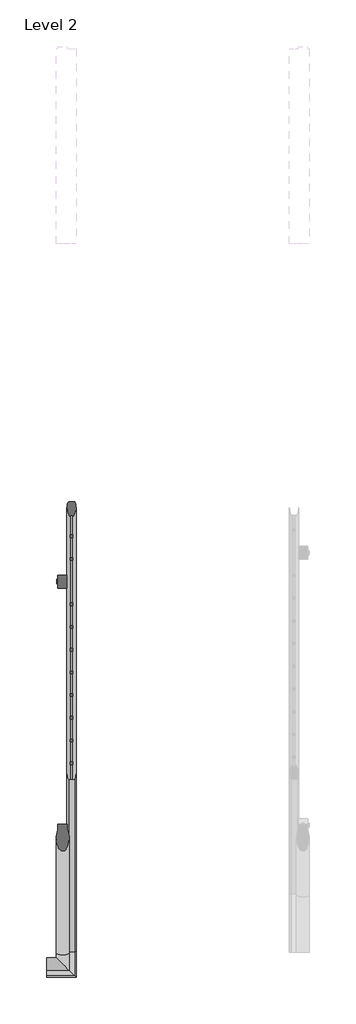
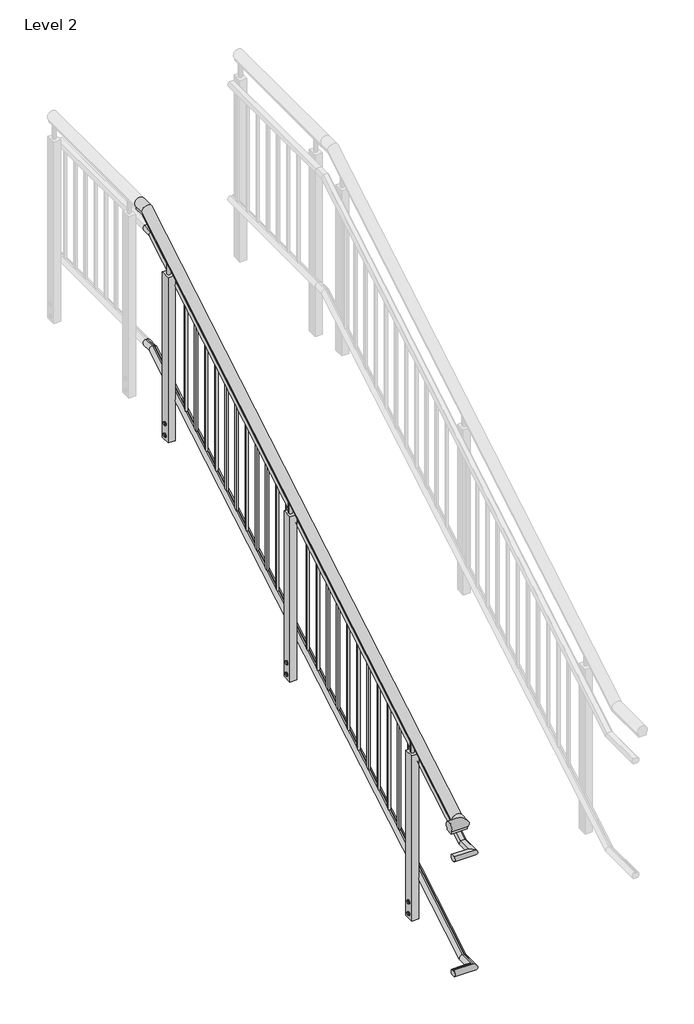
# One storey, part 2 of 4: 1 railing.
"""IFC4 building model written with IfcOpenShell, lengths in millimetres."""

from ifc_helpers import new_model, si_unit, point, frame, frame_2d, origin, place, context, project, spatial, polyline, circle_curve, ellipse_curve, trimmed, segment, composite_curve, outline, extrude, element, save
from ifc_brep_helpers import plane_surface, cylinder_surface, advanced_brep

model = new_model("IFC4")

# Units and contexts
model_context = context("Model", 3, world=origin())
ifc_project = project(units=[si_unit("LENGTHUNIT", "METRE", prefix="MILLI")], contexts=[model_context])

# Site, building, storey
site = spatial("IfcSite", under=ifc_project)
building = spatial("IfcBuilding", under=site)
storey = spatial("IfcBuildingStorey", under=building, Name="Level 2", Elevation=4000.0)

# Railing
placement = place(None, origin())
element("IfcRailing", 1, ObjectType="MT_Accessible stair with Balustrade_Level 3_Left", at=placement, inside=storey, context=model_context, shape_type="SolidModel", body=[
    advanced_brep(
    [(-1167.1198503, 2567.5153131, 6690.8057322), (-1167.1198503, 2567.5153131, 6678.0), (-1208.8198503, 2567.5153131, 6678.0), (-1208.8198503, 2567.5153131, 6690.8057322), (-1208.8198503, 2502.5558159, 6690.8057322), (-1167.1198503, 2502.5558159, 6690.8057322), (-1208.8198503, 2506.0632911, 6678.0), (-1167.1198503, 2506.0632911, 6678.0), (-1208.8198503, -551.3234853, 4882.2162889), (-1167.1198503, -551.3234853, 4882.2162889), (-1208.8198503, -547.8160101, 4869.4105567), (-1167.1198503, -547.8160101, 4869.4105567), (-1258.8300828, -625.9449195, 4882.2162889), (-1258.8300828, -584.2449195, 4882.2162889), (-1258.8300828, -584.2449195, 4869.4105567), (-1258.8300828, -625.9449195, 4869.4105567), (-1167.1198503, -625.9449195, 4882.2162889), (-1208.8198503, -584.2449195, 4882.2162889), (-1208.8198503, -584.2449195, 4869.4105567), (-1167.1198503, -625.9449195, 4869.4105567)],
    [
        (0, 1),
        (1, 2),
        (2, 3),
        (3, 0, circle_curve(frame((-1187.9698503, 2567.5153131, 6710.0), z_axis=(0.0, 1.0, 0.0), x_axis=(-1.0, 0.0, 0.0)), 28.3397674)),
        (4, 5, ellipse_curve(frame((-1187.9698503, 2497.2985281, 6710.0), z_axis=(0.0, 0.9644764138034779, 0.26416897474302736), x_axis=(0.0, -0.26416897474302786, 0.9644764138034778)), 29.3835775, 28.3397674)),
        (5, 0),
        (3, 4),
        (6, 4),
        (2, 6),
        (7, 6),
        (1, 7),
        (5, 7),
        (8, 9, ellipse_curve(frame((-1187.9698503, -556.5807731, 4901.4105567), z_axis=(0.0, 0.9644764138034779, 0.26416897474302736), x_axis=(0.0, 0.264168974743027, -0.9644764138034783)), 29.3835775, 28.3397674)),
        (9, 5),
        (4, 8),
        (10, 8),
        (6, 10),
        (11, 10),
        (7, 11),
        (9, 11),
        (12, 13, circle_curve(frame((-1258.8300828, -605.0949195, 4901.4105567), z_axis=(-1.0, 0.0, 0.0), x_axis=(0.0, 1.0, 0.0)), 28.3397674)),
        (13, 14),
        (14, 15),
        (15, 12),
        (12, 16),
        (16, 17, ellipse_curve(frame((-1187.9698503, -605.0949195, 4901.4105567), z_axis=(-0.7071067811865481, -0.7071067811865469, 0.0), x_axis=(-0.7071067811865469, 0.7071067811865481, 0.0)), 40.0784834, 28.3397674)),
        (17, 13),
        (17, 18),
        (18, 14),
        (18, 19),
        (19, 15),
        (19, 16),
        (16, 9),
        (8, 17),
        (10, 18),
        (11, 19),
    ],
    [
        plane_surface(frame((-1187.9698503, 2567.5153131, 6678.0), z_axis=(0.0, 1.0, 0.0), x_axis=(0.0, 0.0, 1.0))),
        cylinder_surface(frame((-1187.9698503, 2506.0632911, 6710.0), z_axis=(0.0, -1.0, 0.0), x_axis=(-1.0, 0.0, 0.0)), 28.3397674),
        plane_surface(frame((-1208.8198503, 2502.5558159, 6690.8057322), z_axis=(-1.0, 0.0, 0.0), x_axis=(0.0, 1.0, 0.0))),
        plane_surface(frame((-1208.8198503, 2506.0632911, 6678.0), z_axis=(0.0, 0.0, -1.0), x_axis=(0.0, 1.0, 0.0))),
        plane_surface(frame((-1167.1198503, 2506.0632911, 6678.0), z_axis=(1.0, 0.0, 0.0), x_axis=(0.0, 1.0, 0.0))),
        cylinder_surface(frame((-1187.9698503, -564.1222338, 4896.9443009), z_axis=(0.0, -0.8604295055664356, -0.5095694907965933), x_axis=(-1.0, 0.0, 0.0)), 28.3397674),
        plane_surface(frame((-1208.8198503, -551.3234853, 4882.2162889), z_axis=(-1.0000000000000002, 0.0, 0.0), x_axis=(0.0, 0.8604295055664356, 0.5095694907965933))),
        plane_surface(frame((-1208.8198503, -547.8160101, 4869.4105567), z_axis=(0.0, 0.5095694907965933, -0.8604295055664356), x_axis=(0.0, 0.8604295055664356, 0.5095694907965933))),
        plane_surface(frame((-1167.1198503, -547.8160101, 4869.4105567), z_axis=(1.0000000000000002, 0.0, 0.0), x_axis=(0.0, 0.8604295055664356, 0.5095694907965933))),
        plane_surface(frame((-1258.8300828, -605.0949195, 4869.4105567), z_axis=(-1.0, 0.0, 0.0), x_axis=(0.0, 1.0, 0.0))),
        cylinder_surface(frame((-1258.8300828, -605.0949195, 4901.4105567), z_axis=(-1.0, 0.0, 0.0), x_axis=(0.0, 1.0, 0.0)), 28.3397674),
        plane_surface(frame((-1258.8300828, -584.2449195, 4882.2162889), z_axis=(0.0, 1.0, 0.0), x_axis=(1.0, 0.0, 0.0))),
        plane_surface(frame((-1258.8300828, -584.2449195, 4869.4105567), z_axis=(0.0, 0.0, -1.0), x_axis=(1.0, 0.0, 0.0))),
        plane_surface(frame((-1258.8300828, -625.9449195, 4869.4105567), z_axis=(0.0, -1.0, 0.0), x_axis=(1.0, 0.0, 0.0))),
        cylinder_surface(frame((-1187.9698503, -605.0949195, 4901.4105567), z_axis=(0.0, -1.0, 0.0), x_axis=(-1.0, 0.0, 0.0)), 28.3397674),
        plane_surface(frame((-1208.8198503, -584.2449195, 4882.2162889), z_axis=(-1.0, 0.0, 0.0), x_axis=(0.0, 1.0, 0.0))),
        plane_surface(frame((-1208.8198503, -584.2449195, 4869.4105567), z_axis=(0.0, 0.0, -1.0), x_axis=(0.0, 1.0, 0.0))),
        plane_surface(frame((-1167.1198503, -625.9449195, 4869.4105567), z_axis=(1.0, 0.0, 0.0), x_axis=(0.0, 1.0, 0.0))),
    ],
    [
        (0, [[1, 2, 3, 4]]),
        (1, [[5, 6, -4, 7]]),
        (2, [[8, -7, -3, 9]]),
        (3, [[10, -9, -2, 11]]),
        (4, [[12, -11, -1, -6]]),
        (5, [[13, 14, -5, 15]]),
        (6, [[16, -15, -8, 17]]),
        (7, [[18, -17, -10, 19]]),
        (8, [[20, -19, -12, -14]]),
        (9, [[21, 22, 23, 24]]),
        (10, [[-21, 25, 26, 27]]),
        (11, [[-22, -27, 28, 29]]),
        (12, [[-23, -29, 30, 31]]),
        (13, [[-24, -31, 32, -25]]),
        (14, [[-26, 33, -13, 34]]),
        (15, [[-28, -34, -16, 35]]),
        (16, [[-30, -35, -18, 36]]),
        (17, [[-32, -36, -20, -33]]),
    ],
),
    advanced_brep(
    [(-1135.6013263, -551.9244927, 4751.4105567), (-1142.7537055, -542.5969782, 4717.3559605), (-1142.7537055, 2511.282323, 6525.9454038), (-1135.6013263, 2501.9548084, 6560.0), (-1162.0588394, -551.9244927, 4751.4105567), (-1162.0588394, 2501.9548084, 6560.0), (-1154.3363, -542.5497282, 4717.1834516), (-1154.3363, 2511.329573, 6525.7728949), (-1154.3363, -543.7075274, 4721.4105567), (-1154.3363, 2510.1717738, 6530.0), (-1142.7537055, -543.7075274, 4721.4105567), (-1142.7537055, 2510.1717738, 6530.0), (-1135.6013263, -657.4634435, 4751.4105567), (-1142.7537055, -650.3110643, 4717.3559605), (-1162.0588394, -631.0059303, 4751.4105567), (-1154.3363, -638.7284697, 4717.1834516), (-1154.3363, -638.7284697, 4721.4105567), (-1142.7537055, -650.3110643, 4721.4105567), (-1142.7537055, 2567.5153131, 6525.9454038), (-1142.7537055, 2567.5153131, 6530.0), (-1154.3363, 2567.5153131, 6530.0), (-1154.3363, 2567.5153131, 6525.7728949), (-1162.0588394, 2567.5153131, 6560.0), (-1135.6013263, 2567.5153131, 6560.0), (-1258.8300828, -650.3110643, 4717.3559605), (-1258.8300828, -657.4634435, 4751.4105567), (-1258.8300828, -631.0059303, 4751.4105567), (-1258.8300828, -638.7284697, 4717.1834516), (-1258.8300828, -638.7284697, 4721.4105567), (-1258.8300828, -650.3110643, 4721.4105567)],
    [
        (0, 1, ellipse_curve(frame((-1148.8300828, -547.8160101, 4736.4105567), z_axis=(0.0, 0.9644764138034779, 0.26416897474302736), x_axis=(0.0, 0.264168974743027, -0.9644764138034783)), 20.7366398, 20.0)),
        (1, 2),
        (2, 3, ellipse_curve(frame((-1148.8300828, 2506.0632911, 6545.0), z_axis=(0.0, -0.9644764138034779, -0.26416897474302736), x_axis=(0.0, 0.264168974743027, -0.9644764138034783)), 20.7366398, 20.0)),
        (3, 0),
        (4, 0),
        (3, 5),
        (5, 4),
        (6, 4, ellipse_curve(frame((-1148.8300828, -547.8160101, 4736.4105567), z_axis=(0.0, 0.9644764138034779, 0.26416897474302736), x_axis=(0.0, 0.264168974743027, -0.9644764138034783)), 20.7366398, 20.0)),
        (5, 7, ellipse_curve(frame((-1148.8300828, 2506.0632911, 6545.0), z_axis=(0.0, -0.9644764138034779, -0.26416897474302736), x_axis=(0.0, 0.264168974743027, -0.9644764138034783)), 20.7366398, 20.0)),
        (7, 6),
        (8, 6),
        (7, 9),
        (9, 8),
        (10, 8),
        (9, 11),
        (11, 10),
        (1, 10),
        (11, 2),
        (12, 13, ellipse_curve(frame((-1148.8300828, -644.2346869, 4736.4105567), z_axis=(0.7071067811865481, 0.7071067811865469, 0.0), x_axis=(0.7071067811865469, -0.7071067811865481, 0.0)), 28.2842712, 20.0)),
        (13, 1),
        (0, 12),
        (14, 12),
        (4, 14),
        (15, 14, ellipse_curve(frame((-1148.8300828, -644.2346869, 4736.4105567), z_axis=(0.7071067811865481, 0.7071067811865469, 0.0), x_axis=(0.7071067811865469, -0.7071067811865481, 0.0)), 28.2842712, 20.0)),
        (6, 15),
        (16, 15),
        (8, 16),
        (17, 16),
        (10, 17),
        (13, 17),
        (18, 19),
        (19, 20),
        (20, 21),
        (21, 22, circle_curve(frame((-1148.8300828, 2567.5153131, 6545.0), z_axis=(0.0, 1.0, 0.0), x_axis=(0.0, 0.0, 1.0)), 20.0)),
        (22, 23),
        (23, 18, circle_curve(frame((-1148.8300828, 2567.5153131, 6545.0), z_axis=(0.0, 1.0, 0.0), x_axis=(0.0, 0.0, 1.0)), 20.0)),
        (2, 18),
        (23, 3),
        (22, 5),
        (21, 7),
        (20, 9),
        (19, 11),
        (24, 25, circle_curve(frame((-1258.8300828, -644.2346869, 4736.4105567), z_axis=(-1.0, 0.0, 0.0), x_axis=(0.0, 0.0, 1.0)), 20.0)),
        (25, 26),
        (26, 27, circle_curve(frame((-1258.8300828, -644.2346869, 4736.4105567), z_axis=(-1.0, 0.0, 0.0), x_axis=(0.0, 0.0, 1.0)), 20.0)),
        (27, 28),
        (28, 29),
        (29, 24),
        (24, 13),
        (12, 25),
        (14, 26),
        (15, 27),
        (16, 28),
        (17, 29),
    ],
    [
        cylinder_surface(frame((-1148.8300828, -547.8160101, 4736.4105567), z_axis=(0.0, -0.8604295055664356, -0.5095694907965933), x_axis=(0.0, -0.5095694907965933, 0.8604295055664356)), 20.0),
        plane_surface(frame((-1135.6013263, -551.9244927, 4751.4105567), z_axis=(0.0, -0.5095694907965932, 0.8604295055664356), x_axis=(0.0, 0.8604295055664356, 0.5095694907965932))),
        plane_surface(frame((-1154.3363, -542.5497282, 4717.1834516), z_axis=(1.0000000000000002, 0.0, 0.0), x_axis=(0.0, 0.8604295055664356, 0.5095694907965933))),
        plane_surface(frame((-1154.3363, -543.7075274, 4721.4105567), z_axis=(0.0, 0.5095694907965933, -0.8604295055664356), x_axis=(0.0, 0.8604295055664356, 0.5095694907965933))),
        plane_surface(frame((-1142.7537055, -543.7075274, 4721.4105567), z_axis=(-1.0, 0.0, 0.0), x_axis=(0.0, 0.8604295055664355, 0.5095694907965933))),
        cylinder_surface(frame((-1148.8300828, -644.2346869, 4736.4105567), z_axis=(0.0, -1.0, 0.0), x_axis=(0.0, 0.0, 1.0)), 20.0),
        plane_surface(frame((-1135.6013263, -657.4634435, 4751.4105567), z_axis=(0.0, 0.0, 1.0), x_axis=(0.0, 1.0, 0.0))),
        plane_surface(frame((-1154.3363, -638.7284697, 4717.1834516), z_axis=(1.0, 0.0, 0.0), x_axis=(0.0, 1.0, 0.0))),
        plane_surface(frame((-1154.3363, -638.7284697, 4721.4105567), z_axis=(0.0, 0.0, -1.0), x_axis=(0.0, 1.0, 0.0))),
        plane_surface(frame((-1142.7537055, -650.3110643, 4721.4105567), z_axis=(-1.0, 0.0, 0.0), x_axis=(0.0, 1.0, 0.0))),
        plane_surface(frame((-1148.8300828, 2567.5153131, 6545.0), z_axis=(0.0, 1.0, 0.0), x_axis=(0.0, 0.0, 1.0))),
        cylinder_surface(frame((-1148.8300828, 2506.0632911, 6545.0), z_axis=(0.0, -1.0, 0.0), x_axis=(0.0, 0.0, 1.0)), 20.0),
        plane_surface(frame((-1135.6013263, 2501.9548084, 6560.0), z_axis=(0.0, 0.0, 1.0), x_axis=(0.0, 1.0, 0.0))),
        plane_surface(frame((-1154.3363, 2511.329573, 6525.7728949), z_axis=(1.0, 0.0, 0.0), x_axis=(0.0, 1.0, 0.0))),
        plane_surface(frame((-1154.3363, 2510.1717738, 6530.0), z_axis=(0.0, 0.0, -1.0), x_axis=(0.0, 1.0, 0.0))),
        plane_surface(frame((-1142.7537055, 2510.1717738, 6530.0), z_axis=(-1.0, 0.0, 0.0), x_axis=(0.0, 1.0, 0.0))),
        plane_surface(frame((-1258.8300828, -644.2346869, 4736.4105567), z_axis=(-1.0, 0.0, 0.0), x_axis=(0.0, 1.0, 0.0))),
        cylinder_surface(frame((-1258.8300828, -644.2346869, 4736.4105567), z_axis=(-1.0, 0.0, 0.0), x_axis=(0.0, 0.0, 1.0)), 20.0),
        plane_surface(frame((-1258.8300828, -657.4634435, 4751.4105567), z_axis=(0.0, 0.0, 1.0), x_axis=(1.0, 0.0, 0.0))),
        plane_surface(frame((-1258.8300828, -638.7284697, 4717.1834516), z_axis=(0.0, -1.0, 0.0), x_axis=(1.0, 0.0, 0.0))),
        plane_surface(frame((-1258.8300828, -638.7284697, 4721.4105567), z_axis=(0.0, 0.0, -1.0), x_axis=(1.0, 0.0, 0.0))),
        plane_surface(frame((-1258.8300828, -650.3110643, 4721.4105567), z_axis=(0.0, 1.0, 0.0), x_axis=(1.0, 0.0, 0.0))),
    ],
    [
        (0, [[1, 2, 3, 4]]),
        (1, [[5, -4, 6, 7]]),
        (0, [[8, -7, 9, 10]]),
        (2, [[11, -10, 12, 13]]),
        (3, [[14, -13, 15, 16]]),
        (4, [[17, -16, 18, -2]]),
        (5, [[19, 20, -1, 21]]),
        (6, [[22, -21, -5, 23]]),
        (5, [[24, -23, -8, 25]]),
        (7, [[26, -25, -11, 27]]),
        (8, [[28, -27, -14, 29]]),
        (9, [[30, -29, -17, -20]]),
        (10, [[31, 32, 33, 34, 35, 36]]),
        (11, [[-3, 37, -36, 38]]),
        (12, [[-6, -38, -35, 39]]),
        (11, [[-9, -39, -34, 40]]),
        (13, [[-12, -40, -33, 41]]),
        (14, [[-15, -41, -32, 42]]),
        (15, [[-18, -42, -31, -37]]),
        (16, [[43, 44, 45, 46, 47, 48]]),
        (17, [[-43, 49, -19, 50]]),
        (18, [[-44, -50, -22, 51]]),
        (17, [[-45, -51, -24, 52]]),
        (19, [[-46, -52, -26, 53]]),
        (20, [[-47, -53, -28, 54]]),
        (21, [[-48, -54, -30, -49]]),
    ],
),
    advanced_brep(
    [(-1162.0588394, -543.7075274, 4030.4105567), (-1154.9064602, -553.0350419, 4064.465153), (-1154.9064602, 2500.8442592, 5873.0545962), (-1162.0588394, 2510.1717738, 5839.0), (-1135.6013263, -543.7075274, 4030.4105567), (-1135.6013263, 2510.1717738, 5839.0), (-1143.3238656, -553.0822919, 4064.6376619), (-1143.3238656, 2500.7970092, 5873.2271051), (-1143.3238656, -551.9244927, 4060.4105567), (-1143.3238656, 2501.9548084, 5869.0), (-1154.9064602, -551.9244927, 4060.4105567), (-1154.9064602, 2501.9548084, 5869.0), (-1162.0588394, -631.0059303, 4030.4105567), (-1154.9064602, -638.1583095, 4064.465153), (-1135.6013263, -657.4634435, 4030.4105567), (-1143.3238656, -649.7409041, 4064.6376619), (-1143.3238656, -649.7409041, 4060.4105567), (-1154.9064602, -638.1583095, 4060.4105567), (-1154.9064602, 2567.5153131, 5873.0545962), (-1154.9064602, 2567.5153131, 5869.0), (-1143.3238656, 2567.5153131, 5869.0), (-1143.3238656, 2567.5153131, 5873.2271051), (-1135.6013263, 2567.5153131, 5839.0), (-1162.0588394, 2567.5153131, 5839.0), (-1258.8300828, -638.1583095, 4064.465153), (-1258.8300828, -631.0059303, 4030.4105567), (-1258.8300828, -657.4634435, 4030.4105567), (-1258.8300828, -649.7409041, 4064.6376619), (-1258.8300828, -649.7409041, 4060.4105567), (-1258.8300828, -638.1583095, 4060.4105567)],
    [
        (0, 1, ellipse_curve(frame((-1148.8300828, -547.8160101, 4045.4105567), z_axis=(0.0, 0.964476413803478, 0.26416897474302725), x_axis=(0.0, 0.26416897474302714, -0.964476413803478)), 20.7366398, 20.0)),
        (1, 2),
        (2, 3, ellipse_curve(frame((-1148.8300828, 2506.0632911, 5854.0), z_axis=(0.0, -0.964476413803478, -0.2641689747430273), x_axis=(0.0, 0.2641689747430272, -0.9644764138034779)), 20.7366398, 20.0)),
        (3, 0),
        (4, 0),
        (3, 5),
        (5, 4),
        (6, 4, ellipse_curve(frame((-1148.8300828, -547.8160101, 4045.4105567), z_axis=(0.0, 0.964476413803478, 0.26416897474302725), x_axis=(0.0, 0.26416897474302714, -0.964476413803478)), 20.7366398, 20.0)),
        (5, 7, ellipse_curve(frame((-1148.8300828, 2506.0632911, 5854.0), z_axis=(0.0, -0.964476413803478, -0.2641689747430273), x_axis=(0.0, 0.2641689747430272, -0.9644764138034779)), 20.7366398, 20.0)),
        (7, 6),
        (8, 6),
        (7, 9),
        (9, 8),
        (10, 8),
        (9, 11),
        (11, 10),
        (1, 10),
        (11, 2),
        (12, 13, ellipse_curve(frame((-1148.8300828, -644.2346869, 4045.4105567), z_axis=(0.7071067811865481, 0.7071067811865469, 0.0), x_axis=(0.7071067811865469, -0.7071067811865481, 0.0)), 28.2842712, 20.0)),
        (13, 1),
        (0, 12),
        (14, 12),
        (4, 14),
        (15, 14, ellipse_curve(frame((-1148.8300828, -644.2346869, 4045.4105567), z_axis=(0.7071067811865481, 0.7071067811865469, 0.0), x_axis=(0.7071067811865469, -0.7071067811865481, 0.0)), 28.2842712, 20.0)),
        (6, 15),
        (16, 15),
        (8, 16),
        (17, 16),
        (10, 17),
        (13, 17),
        (18, 19),
        (19, 20),
        (20, 21),
        (21, 22, circle_curve(frame((-1148.8300828, 2567.5153131, 5854.0), z_axis=(0.0, 1.0, 0.0), x_axis=(0.0, 0.0, -1.0)), 20.0)),
        (22, 23),
        (23, 18, circle_curve(frame((-1148.8300828, 2567.5153131, 5854.0), z_axis=(0.0, 1.0, 0.0), x_axis=(0.0, 0.0, -1.0)), 20.0)),
        (2, 18),
        (23, 3),
        (22, 5),
        (21, 7),
        (20, 9),
        (19, 11),
        (24, 25, circle_curve(frame((-1258.8300828, -644.2346869, 4045.4105567), z_axis=(-1.0, 0.0, 0.0), x_axis=(0.0, 0.0, -1.0)), 20.0)),
        (25, 26),
        (26, 27, circle_curve(frame((-1258.8300828, -644.2346869, 4045.4105567), z_axis=(-1.0, 0.0, 0.0), x_axis=(0.0, 0.0, -1.0)), 20.0)),
        (27, 28),
        (28, 29),
        (29, 24),
        (24, 13),
        (12, 25),
        (14, 26),
        (15, 27),
        (16, 28),
        (17, 29),
    ],
    [
        cylinder_surface(frame((-1148.8300828, -547.8160101, 4045.4105567), z_axis=(0.0, -0.8604295055664357, -0.509569490796593), x_axis=(0.0, 0.509569490796593, -0.8604295055664357)), 20.0),
        plane_surface(frame((-1162.0588394, -543.7075274, 4030.4105567), z_axis=(0.0, 0.509569490796593, -0.8604295055664357), x_axis=(0.0, 0.8604295055664357, 0.509569490796593))),
        plane_surface(frame((-1143.3238656, -553.0822919, 4064.6376619), z_axis=(-1.0, 0.0, 0.0), x_axis=(0.0, 0.8604295055664358, 0.5095694907965929))),
        plane_surface(frame((-1143.3238656, -551.9244927, 4060.4105567), z_axis=(0.0, -0.5095694907965929, 0.8604295055664358), x_axis=(0.0, 0.8604295055664358, 0.5095694907965929))),
        plane_surface(frame((-1154.9064602, -551.9244927, 4060.4105567), z_axis=(1.0, 0.0, 0.0), x_axis=(0.0, 0.8604295055664358, 0.5095694907965929))),
        cylinder_surface(frame((-1148.8300828, -644.2346869, 4045.4105567), z_axis=(0.0, -1.0, 0.0), x_axis=(0.0, 0.0, -1.0)), 20.0),
        plane_surface(frame((-1162.0588394, -631.0059303, 4030.4105567), z_axis=(0.0, 0.0, -1.0), x_axis=(0.0, 1.0, 0.0))),
        plane_surface(frame((-1143.3238656, -649.7409041, 4064.6376619), z_axis=(-1.0, 0.0, 0.0), x_axis=(0.0, 1.0, 0.0))),
        plane_surface(frame((-1143.3238656, -649.7409041, 4060.4105567), z_axis=(0.0, 0.0, 1.0), x_axis=(0.0, 1.0, 0.0))),
        plane_surface(frame((-1154.9064602, -638.1583095, 4060.4105567), z_axis=(1.0, 0.0, 0.0), x_axis=(0.0, 1.0, 0.0))),
        plane_surface(frame((-1148.8300828, 2567.5153131, 5854.0), z_axis=(0.0, 1.0, 0.0), x_axis=(0.0, 0.0, 1.0))),
        cylinder_surface(frame((-1148.8300828, 2506.0632911, 5854.0), z_axis=(0.0, -1.0, 0.0), x_axis=(0.0, 0.0, -1.0)), 20.0),
        plane_surface(frame((-1162.0588394, 2510.1717738, 5839.0), z_axis=(0.0, 0.0, -1.0), x_axis=(0.0, 1.0, 0.0))),
        plane_surface(frame((-1143.3238656, 2500.7970092, 5873.2271051), z_axis=(-1.0, 0.0, 0.0), x_axis=(0.0, 1.0, 0.0))),
        plane_surface(frame((-1143.3238656, 2501.9548084, 5869.0), z_axis=(0.0, 0.0, 1.0), x_axis=(0.0, 1.0, 0.0))),
        plane_surface(frame((-1154.9064602, 2501.9548084, 5869.0), z_axis=(1.0, 0.0, 0.0), x_axis=(0.0, 1.0, 0.0))),
        plane_surface(frame((-1258.8300828, -644.2346869, 4045.4105567), z_axis=(-1.0, 0.0, 0.0), x_axis=(0.0, 1.0, 0.0))),
        cylinder_surface(frame((-1258.8300828, -644.2346869, 4045.4105567), z_axis=(-1.0, 0.0, 0.0), x_axis=(0.0, 0.0, -1.0)), 20.0),
        plane_surface(frame((-1258.8300828, -631.0059303, 4030.4105567), z_axis=(0.0, 0.0, -1.0), x_axis=(1.0, 0.0, 0.0))),
        plane_surface(frame((-1258.8300828, -649.7409041, 4064.6376619), z_axis=(0.0, 1.0, 0.0), x_axis=(1.0, 0.0, 0.0))),
        plane_surface(frame((-1258.8300828, -649.7409041, 4060.4105567), z_axis=(0.0, 0.0, 1.0), x_axis=(1.0, 0.0, 0.0))),
        plane_surface(frame((-1258.8300828, -638.1583095, 4060.4105567), z_axis=(0.0, -1.0, 0.0), x_axis=(1.0, 0.0, 0.0))),
    ],
    [
        (0, [[1, 2, 3, 4]]),
        (1, [[5, -4, 6, 7]]),
        (0, [[8, -7, 9, 10]]),
        (2, [[11, -10, 12, 13]]),
        (3, [[14, -13, 15, 16]]),
        (4, [[17, -16, 18, -2]]),
        (5, [[19, 20, -1, 21]]),
        (6, [[22, -21, -5, 23]]),
        (5, [[24, -23, -8, 25]]),
        (7, [[26, -25, -11, 27]]),
        (8, [[28, -27, -14, 29]]),
        (9, [[30, -29, -17, -20]]),
        (10, [[31, 32, 33, 34, 35, 36]]),
        (11, [[-3, 37, -36, 38]]),
        (12, [[-6, -38, -35, 39]]),
        (11, [[-9, -39, -34, 40]]),
        (13, [[-12, -40, -33, 41]]),
        (14, [[-15, -41, -32, 42]]),
        (15, [[-18, -42, -31, -37]]),
        (16, [[43, 44, 45, 46, 47, 48]]),
        (17, [[-43, 49, -19, 50]]),
        (18, [[-44, -50, -22, 51]]),
        (17, [[-45, -51, -24, 52]]),
        (19, [[-46, -52, -26, 53]]),
        (20, [[-47, -53, -28, 54]]),
        (21, [[-48, -54, -30, -49]]),
    ],
),
    extrude(outline(polyline([(2279.1236405, 5501.9245527), (2289.1236405, 5496.15105), (2289.1236405, 5484.6040446), (2279.1236405, 5478.8305419), (2269.1236405, 5484.6040446), (2269.1236405, 5496.15105), (2279.1236405, 5501.9245527)])), frame((-1212.8300828, 0.0, 0.0), z_axis=(1.0, 0.0, 0.0), x_axis=(0.0, 1.0, 0.0)), (0.0, 0.0, 1.0), 4.0),
    extrude(outline(polyline([(2279.1236405, 5571.9245527), (2289.1236405, 5566.15105), (2289.1236405, 5554.6040446), (2279.1236405, 5548.8305419), (2269.1236405, 5554.6040446), (2269.1236405, 5566.15105), (2279.1236405, 5571.9245527)])), frame((-1212.8300828, 0.0, 0.0), z_axis=(1.0, 0.0, 0.0), x_axis=(0.0, 1.0, 0.0)), (0.0, 0.0, 1.0), 4.0),
    extrude(outline(composite_curve([segment(trimmed(circle_curve(frame_2d((2279.1236405, 5490.3775473)), 8.0), [point((2271.1236405, 5490.3775473))], [point((2287.1236405, 5490.3775473))], False, "CARTESIAN"), True, "CONTINUOUS"), segment(trimmed(circle_curve(frame_2d((2279.1236405, 5490.3775473)), 8.0), [point((2287.1236405, 5490.3775473))], [point((2271.1236405, 5490.3775473))], False, "CARTESIAN"), True, "CONTINUOUS")], self_intersect=False)), frame((-1214.8300828, 0.0, 0.0), z_axis=(1.0, 0.0, 0.0), x_axis=(0.0, 1.0, 0.0)), (0.0, 0.0, 1.0), 6.0),
    extrude(outline(composite_curve([segment(trimmed(circle_curve(frame_2d((2279.1236405, 5560.3775473)), 8.0), [point((2271.1236405, 5560.3775473))], [point((2287.1236405, 5560.3775473))], False, "CARTESIAN"), True, "CONTINUOUS"), segment(trimmed(circle_curve(frame_2d((2279.1236405, 5560.3775473)), 8.0), [point((2287.1236405, 5560.3775473))], [point((2271.1236405, 5560.3775473))], False, "CARTESIAN"), True, "CONTINUOUS")], self_intersect=False)), frame((-1214.8300828, 0.0, 0.0), z_axis=(1.0, 0.0, 0.0), x_axis=(0.0, 1.0, 0.0)), (0.0, 0.0, 1.0), 6.0),
    extrude(outline(composite_curve([segment(trimmed(circle_curve(frame_2d((-1188.8300828, 2279.1236405)), 10.0), [point((-1198.8300828, 2279.1236405))], [point((-1178.8300828, 2279.1236405))], False, "CARTESIAN"), True, "CONTINUOUS"), segment(trimmed(circle_curve(frame_2d((-1188.8300828, 2279.1236405)), 10.0), [point((-1178.8300828, 2279.1236405))], [point((-1198.8300828, 2279.1236405))], False, "CARTESIAN"), True, "CONTINUOUS")], self_intersect=False)), frame((0.0, 0.0, 6454.3775473), z_axis=(0.0, 0.0, 1.0), x_axis=(1.0, 0.0, 0.0)), (0.0, 0.0, 1.0), 100.0),
    extrude(outline(polyline([(-1168.8300828, 2250.1236405), (-1208.8300828, 2250.1236405), (-1208.8300828, 2308.1236405), (-1168.8300828, 2308.1236405), (-1168.8300828, 2250.1236405)])), frame((0.0, 0.0, 5460.3775473), z_axis=(0.0, 0.0, 1.0), x_axis=(1.0, 0.0, 0.0)), (0.0, 0.0, 1.0), 994.0),
    extrude(outline(polyline([(-1142.8300828, 2173.1236405), (-1154.8300828, 2173.1236405), (-1154.8300828, 2185.1236405), (-1142.8300828, 2185.1236405), (-1142.8300828, 2173.1236405)])), frame((0.0, 0.0, 5671.1548582), z_axis=(0.0, 0.0, 1.0), x_axis=(1.0, 0.0, 0.0)), (0.0, 0.0, 1.0), 671.0),
    extrude(outline(polyline([(-1142.8300828, 2073.1236405), (-1154.8300828, 2073.1236405), (-1154.8300828, 2085.1236405), (-1142.8300828, 2085.1236405), (-1142.8300828, 2073.1236405)])), frame((0.0, 0.0, 5611.9321691), z_axis=(0.0, 0.0, 1.0), x_axis=(1.0, 0.0, 0.0)), (0.0, 0.0, 1.0), 671.0),
    extrude(outline(polyline([(-1142.8300828, 1973.1236405), (-1154.8300828, 1973.1236405), (-1154.8300828, 1985.1236405), (-1142.8300828, 1985.1236405), (-1142.8300828, 1973.1236405)])), frame((0.0, 0.0, 5552.70948), z_axis=(0.0, 0.0, 1.0), x_axis=(1.0, 0.0, 0.0)), (0.0, 0.0, 1.0), 671.0),
    extrude(outline(polyline([(-1142.8300828, 1873.1236405), (-1154.8300828, 1873.1236405), (-1154.8300828, 1885.1236405), (-1142.8300828, 1885.1236405), (-1142.8300828, 1873.1236405)])), frame((0.0, 0.0, 5493.486791), z_axis=(0.0, 0.0, 1.0), x_axis=(1.0, 0.0, 0.0)), (0.0, 0.0, 1.0), 671.0),
    extrude(outline(polyline([(-1142.8300828, 1773.1236405), (-1154.8300828, 1773.1236405), (-1154.8300828, 1785.1236405), (-1142.8300828, 1785.1236405), (-1142.8300828, 1773.1236405)])), frame((0.0, 0.0, 5434.2641019), z_axis=(0.0, 0.0, 1.0), x_axis=(1.0, 0.0, 0.0)), (0.0, 0.0, 1.0), 671.0),
    extrude(outline(polyline([(-1142.8300828, 1673.1236405), (-1154.8300828, 1673.1236405), (-1154.8300828, 1685.1236405), (-1142.8300828, 1685.1236405), (-1142.8300828, 1673.1236405)])), frame((0.0, 0.0, 5375.0414128), z_axis=(0.0, 0.0, 1.0), x_axis=(1.0, 0.0, 0.0)), (0.0, 0.0, 1.0), 671.0),
    extrude(outline(polyline([(-1142.8300828, 1573.1236405), (-1154.8300828, 1573.1236405), (-1154.8300828, 1585.1236405), (-1142.8300828, 1585.1236405), (-1142.8300828, 1573.1236405)])), frame((0.0, 0.0, 5315.8187237), z_axis=(0.0, 0.0, 1.0), x_axis=(1.0, 0.0, 0.0)), (0.0, 0.0, 1.0), 671.0),
    extrude(outline(polyline([(-1142.8300828, 1473.1236405), (-1154.8300828, 1473.1236405), (-1154.8300828, 1485.1236405), (-1142.8300828, 1485.1236405), (-1142.8300828, 1473.1236405)])), frame((0.0, 0.0, 5256.5960347), z_axis=(0.0, 0.0, 1.0), x_axis=(1.0, 0.0, 0.0)), (0.0, 0.0, 1.0), 671.0),
    extrude(outline(polyline([(-1142.8300828, 1373.1236405), (-1154.8300828, 1373.1236405), (-1154.8300828, 1385.1236405), (-1142.8300828, 1385.1236405), (-1142.8300828, 1373.1236405)])), frame((0.0, 0.0, 5197.3733456), z_axis=(0.0, 0.0, 1.0), x_axis=(1.0, 0.0, 0.0)), (0.0, 0.0, 1.0), 671.0),
    extrude(outline(polyline([(-1142.8300828, 1273.1236405), (-1154.8300828, 1273.1236405), (-1154.8300828, 1285.1236405), (-1142.8300828, 1285.1236405), (-1142.8300828, 1273.1236405)])), frame((0.0, 0.0, 5138.1506565), z_axis=(0.0, 0.0, 1.0), x_axis=(1.0, 0.0, 0.0)), (0.0, 0.0, 1.0), 671.0),
    extrude(outline(polyline([(-1142.8300828, 1173.1236405), (-1154.8300828, 1173.1236405), (-1154.8300828, 1185.1236405), (-1142.8300828, 1185.1236405), (-1142.8300828, 1173.1236405)])), frame((0.0, 0.0, 5078.9279674), z_axis=(0.0, 0.0, 1.0), x_axis=(1.0, 0.0, 0.0)), (0.0, 0.0, 1.0), 671.0),
    extrude(outline(polyline([(1079.1236405, 4791.2522837), (1089.1236405, 4785.4787811), (1089.1236405, 4773.9317757), (1079.1236405, 4768.158273), (1069.1236405, 4773.9317757), (1069.1236405, 4785.4787811), (1079.1236405, 4791.2522837)])), frame((-1212.8300828, 0.0, 0.0), z_axis=(1.0, 0.0, 0.0), x_axis=(0.0, 1.0, 0.0)), (0.0, 0.0, 1.0), 4.0),
    extrude(outline(polyline([(1079.1236405, 4861.2522837), (1089.1236405, 4855.4787811), (1089.1236405, 4843.9317757), (1079.1236405, 4838.158273), (1069.1236405, 4843.9317757), (1069.1236405, 4855.4787811), (1079.1236405, 4861.2522837)])), frame((-1212.8300828, 0.0, 0.0), z_axis=(1.0, 0.0, 0.0), x_axis=(0.0, 1.0, 0.0)), (0.0, 0.0, 1.0), 4.0),
    extrude(outline(composite_curve([segment(trimmed(circle_curve(frame_2d((1079.1236405, 4779.7052784)), 8.0), [point((1071.1236405, 4779.7052784))], [point((1087.1236405, 4779.7052784))], False, "CARTESIAN"), True, "CONTINUOUS"), segment(trimmed(circle_curve(frame_2d((1079.1236405, 4779.7052784)), 8.0), [point((1087.1236405, 4779.7052784))], [point((1071.1236405, 4779.7052784))], False, "CARTESIAN"), True, "CONTINUOUS")], self_intersect=False)), frame((-1214.8300828, 0.0, 0.0), z_axis=(1.0, 0.0, 0.0), x_axis=(0.0, 1.0, 0.0)), (0.0, 0.0, 1.0), 6.0),
    extrude(outline(composite_curve([segment(trimmed(circle_curve(frame_2d((1079.1236405, 4849.7052784)), 8.0), [point((1071.1236405, 4849.7052784))], [point((1087.1236405, 4849.7052784))], False, "CARTESIAN"), True, "CONTINUOUS"), segment(trimmed(circle_curve(frame_2d((1079.1236405, 4849.7052784)), 8.0), [point((1087.1236405, 4849.7052784))], [point((1071.1236405, 4849.7052784))], False, "CARTESIAN"), True, "CONTINUOUS")], self_intersect=False)), frame((-1214.8300828, 0.0, 0.0), z_axis=(1.0, 0.0, 0.0), x_axis=(0.0, 1.0, 0.0)), (0.0, 0.0, 1.0), 6.0),
    extrude(outline(composite_curve([segment(trimmed(circle_curve(frame_2d((-1188.8300828, 1079.1236405)), 10.0), [point((-1198.8300828, 1079.1236405))], [point((-1178.8300828, 1079.1236405))], False, "CARTESIAN"), True, "CONTINUOUS"), segment(trimmed(circle_curve(frame_2d((-1188.8300828, 1079.1236405)), 10.0), [point((-1178.8300828, 1079.1236405))], [point((-1198.8300828, 1079.1236405))], False, "CARTESIAN"), True, "CONTINUOUS")], self_intersect=False)), frame((0.0, 0.0, 5743.7052784), z_axis=(0.0, 0.0, 1.0), x_axis=(1.0, 0.0, 0.0)), (0.0, 0.0, 1.0), 100.0),
    extrude(outline(polyline([(-1168.8300828, 1050.1236405), (-1208.8300828, 1050.1236405), (-1208.8300828, 1108.1236405), (-1168.8300828, 1108.1236405), (-1168.8300828, 1050.1236405)])), frame((0.0, 0.0, 4749.7052784), z_axis=(0.0, 0.0, 1.0), x_axis=(1.0, 0.0, 0.0)), (0.0, 0.0, 1.0), 994.0),
    extrude(outline(polyline([(-1142.8300828, 973.1236405), (-1154.8300828, 973.1236405), (-1154.8300828, 985.1236405), (-1142.8300828, 985.1236405), (-1142.8300828, 973.1236405)])), frame((0.0, 0.0, 4960.4825893), z_axis=(0.0, 0.0, 1.0), x_axis=(1.0, 0.0, 0.0)), (0.0, 0.0, 1.0), 671.0),
    extrude(outline(polyline([(-1142.8300828, 873.1236405), (-1154.8300828, 873.1236405), (-1154.8300828, 885.1236405), (-1142.8300828, 885.1236405), (-1142.8300828, 873.1236405)])), frame((0.0, 0.0, 4901.2599002), z_axis=(0.0, 0.0, 1.0), x_axis=(1.0, 0.0, 0.0)), (0.0, 0.0, 1.0), 671.0),
    extrude(outline(polyline([(-1142.8300828, 773.1236405), (-1154.8300828, 773.1236405), (-1154.8300828, 785.1236405), (-1142.8300828, 785.1236405), (-1142.8300828, 773.1236405)])), frame((0.0, 0.0, 4842.0372111), z_axis=(0.0, 0.0, 1.0), x_axis=(1.0, 0.0, 0.0)), (0.0, 0.0, 1.0), 671.0),
    extrude(outline(polyline([(-1142.8300828, 673.1236405), (-1154.8300828, 673.1236405), (-1154.8300828, 685.1236405), (-1142.8300828, 685.1236405), (-1142.8300828, 673.1236405)])), frame((0.0, 0.0, 4782.8145221), z_axis=(0.0, 0.0, 1.0), x_axis=(1.0, 0.0, 0.0)), (0.0, 0.0, 1.0), 671.0),
    extrude(outline(polyline([(-1142.8300828, 573.1236405), (-1154.8300828, 573.1236405), (-1154.8300828, 585.1236405), (-1142.8300828, 585.1236405), (-1142.8300828, 573.1236405)])), frame((0.0, 0.0, 4723.591833), z_axis=(0.0, 0.0, 1.0), x_axis=(1.0, 0.0, 0.0)), (0.0, 0.0, 1.0), 671.0),
    extrude(outline(polyline([(-1142.8300828, 473.1236405), (-1154.8300828, 473.1236405), (-1154.8300828, 485.1236405), (-1142.8300828, 485.1236405), (-1142.8300828, 473.1236405)])), frame((0.0, 0.0, 4664.3691439), z_axis=(0.0, 0.0, 1.0), x_axis=(1.0, 0.0, 0.0)), (0.0, 0.0, 1.0), 671.0),
    extrude(outline(polyline([(-1142.8300828, 373.1236405), (-1154.8300828, 373.1236405), (-1154.8300828, 385.1236405), (-1142.8300828, 385.1236405), (-1142.8300828, 373.1236405)])), frame((0.0, 0.0, 4605.1464548), z_axis=(0.0, 0.0, 1.0), x_axis=(1.0, 0.0, 0.0)), (0.0, 0.0, 1.0), 671.0),
    extrude(outline(polyline([(-1142.8300828, 273.1236405), (-1154.8300828, 273.1236405), (-1154.8300828, 285.1236405), (-1142.8300828, 285.1236405), (-1142.8300828, 273.1236405)])), frame((0.0, 0.0, 4545.9237658), z_axis=(0.0, 0.0, 1.0), x_axis=(1.0, 0.0, 0.0)), (0.0, 0.0, 1.0), 671.0),
    extrude(outline(polyline([(-1142.8300828, 173.1236405), (-1154.8300828, 173.1236405), (-1154.8300828, 185.1236405), (-1142.8300828, 185.1236405), (-1142.8300828, 173.1236405)])), frame((0.0, 0.0, 4486.7010767), z_axis=(0.0, 0.0, 1.0), x_axis=(1.0, 0.0, 0.0)), (0.0, 0.0, 1.0), 671.0),
    extrude(outline(polyline([(-1142.8300828, 73.1236405), (-1154.8300828, 73.1236405), (-1154.8300828, 85.1236405), (-1142.8300828, 85.1236405), (-1142.8300828, 73.1236405)])), frame((0.0, 0.0, 4427.4783876), z_axis=(0.0, 0.0, 1.0), x_axis=(1.0, 0.0, 0.0)), (0.0, 0.0, 1.0), 671.0),
    extrude(outline(polyline([(-1142.8300828, -26.8763595), (-1154.8300828, -26.8763595), (-1154.8300828, -14.8763595), (-1142.8300828, -14.8763595), (-1142.8300828, -26.8763595)])), frame((0.0, 0.0, 4368.2556985), z_axis=(0.0, 0.0, 1.0), x_axis=(1.0, 0.0, 0.0)), (0.0, 0.0, 1.0), 671.0),
    extrude(outline(polyline([(-120.8763595, 4080.5800148), (-110.8763595, 4074.8065121), (-110.8763595, 4063.2595068), (-120.8763595, 4057.4860041), (-130.8763595, 4063.2595068), (-130.8763595, 4074.8065121), (-120.8763595, 4080.5800148)])), frame((-1212.8300828, 0.0, 0.0), z_axis=(1.0, 0.0, 0.0), x_axis=(0.0, 1.0, 0.0)), (0.0, 0.0, 1.0), 4.0),
    extrude(outline(polyline([(-120.8763595, 4150.5800148), (-110.8763595, 4144.8065121), (-110.8763595, 4133.2595068), (-120.8763595, 4127.4860041), (-130.8763595, 4133.2595068), (-130.8763595, 4144.8065121), (-120.8763595, 4150.5800148)])), frame((-1212.8300828, 0.0, 0.0), z_axis=(1.0, 0.0, 0.0), x_axis=(0.0, 1.0, 0.0)), (0.0, 0.0, 1.0), 4.0),
    extrude(outline(composite_curve([segment(trimmed(circle_curve(frame_2d((-120.8763595, 4069.0330095)), 8.0), [point((-128.8763595, 4069.0330095))], [point((-112.8763595, 4069.0330095))], False, "CARTESIAN"), True, "CONTINUOUS"), segment(trimmed(circle_curve(frame_2d((-120.8763595, 4069.0330095)), 8.0), [point((-112.8763595, 4069.0330095))], [point((-128.8763595, 4069.0330095))], False, "CARTESIAN"), True, "CONTINUOUS")], self_intersect=False)), frame((-1214.8300828, 0.0, 0.0), z_axis=(1.0, 0.0, 0.0), x_axis=(0.0, 1.0, 0.0)), (0.0, 0.0, 1.0), 6.0),
    extrude(outline(composite_curve([segment(trimmed(circle_curve(frame_2d((-120.8763595, 4139.0330095)), 8.0), [point((-128.8763595, 4139.0330095))], [point((-112.8763595, 4139.0330095))], False, "CARTESIAN"), True, "CONTINUOUS"), segment(trimmed(circle_curve(frame_2d((-120.8763595, 4139.0330095)), 8.0), [point((-112.8763595, 4139.0330095))], [point((-128.8763595, 4139.0330095))], False, "CARTESIAN"), True, "CONTINUOUS")], self_intersect=False)), frame((-1214.8300828, 0.0, 0.0), z_axis=(1.0, 0.0, 0.0), x_axis=(0.0, 1.0, 0.0)), (0.0, 0.0, 1.0), 6.0),
    extrude(outline(composite_curve([segment(trimmed(circle_curve(frame_2d((-1188.8300828, -120.8763595)), 10.0), [point((-1198.8300828, -120.8763595))], [point((-1178.8300828, -120.8763595))], False, "CARTESIAN"), True, "CONTINUOUS"), segment(trimmed(circle_curve(frame_2d((-1188.8300828, -120.8763595)), 10.0), [point((-1178.8300828, -120.8763595))], [point((-1198.8300828, -120.8763595))], False, "CARTESIAN"), True, "CONTINUOUS")], self_intersect=False)), frame((0.0, 0.0, 5033.0330095), z_axis=(0.0, 0.0, 1.0), x_axis=(1.0, 0.0, 0.0)), (0.0, 0.0, 1.0), 100.0),
    extrude(outline(polyline([(-1168.8300828, -149.8763595), (-1208.8300828, -149.8763595), (-1208.8300828, -91.8763595), (-1168.8300828, -91.8763595), (-1168.8300828, -149.8763595)])), frame((0.0, 0.0, 4039.0330095), z_axis=(0.0, 0.0, 1.0), x_axis=(1.0, 0.0, 0.0)), (0.0, 0.0, 1.0), 994.0),
])

save(model, "model.ifc")
